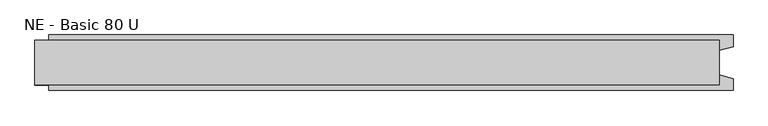
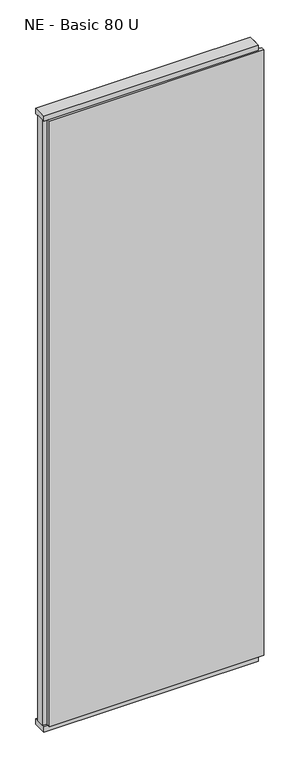
"""IFC4 building model written with IfcOpenShell, lengths in millimetres: plate geometry, NE - Basic 80 U."""

from ifc_helpers import new_model, si_unit, frame, origin, origin_with_axes, place, context, project, spatial, polyline, outline, extrude, source, transform, mapped, element, save


def ne_basic_80_u_7e7b27a9(model_context):
    return source(origin(), model_context, "Body", "SweptSolid", [
        extrude(outline(polyline([(514.375, 40.0), (514.375, 22.9993165), (494.375, 17.6401049), (494.375, -17.6401049), (514.375, -22.9993165), (514.375, -40.0), (-474.375, -40.0), (-474.375, -22.9993165), (-494.375, -17.6401049), (-494.375, 17.6401049), (-474.375, 22.9993165), (-474.375, 40.0), (514.375, 40.0)])), frame((0.0, 0.0, 25.0), z_axis=(0.0, 0.0, 1.0), x_axis=(1.0, 0.0, 0.0)), (0.0, 0.0, 1.0), 2950.0),
        extrude(outline(polyline([(494.375, 32.0), (494.375, -32.0), (-494.375, -32.0), (-494.375, 32.0), (494.375, 32.0)])), origin_with_axes(), (0.0, 0.0, 1.0), 25.0),
        extrude(outline(polyline([(494.375, 32.0), (494.375, -32.0), (-494.375, -32.0), (-494.375, 32.0), (494.375, 32.0)])), frame((0.0, 0.0, 2975.0), z_axis=(0.0, 0.0, 1.0), x_axis=(1.0, 0.0, 0.0)), (0.0, 0.0, 1.0), 25.0),
    ])


if __name__ == "__main__":
    model = new_model("IFC4")
    model_context = context("Model", 3, world=origin())
    ifc_project = project(units=[si_unit("LENGTHUNIT", "METRE", prefix="MILLI")], contexts=[model_context])
    site = spatial("IfcSite", under=ifc_project)
    building = spatial("IfcBuilding", under=site)
    placement = place(None, origin())
    ne_basic_80_u_shape = ne_basic_80_u_7e7b27a9(model_context)
    element("IfcPlate", 1, ObjectType="NE - Basic 80 U", at=placement, inside=building, context=model_context, shape_type="MappedRepresentation", body=[
        mapped(ne_basic_80_u_shape, transform((0.0, 0.0, 0.0), x_axis=(1.0, 0.0, 0.0), y_axis=(0.0, 1.0, 0.0), z_axis=(0.0, 0.0, 1.0))),
    ])
    save(model, "model.ifc")
